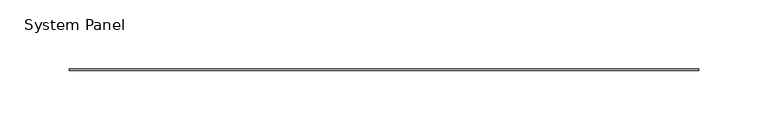
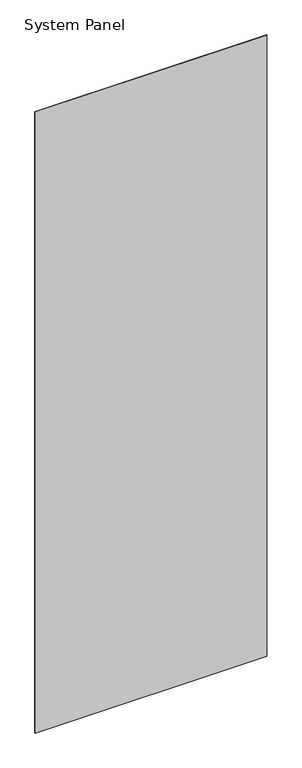
"""IFC4 building model written with IfcOpenShell, lengths in millimetres: plate geometry, System Panel."""

import ifcopenshell
import ifcopenshell.guid

model = None  # the IFC model being written
_history = None  # IfcOwnerHistory: only IFC2X3 demands one
_inside = {}  # id of a spatial element -> (the spatial element, [elements in it])
_under = {}  # id of a project, library or spatial element -> (it, [spatial elements below it])
_declared = {}  # id of a project -> (the project, [libraries it declares])
_typed = {}  # id of a type object -> (the type object, [elements of that type])
_made_of = {}  # id of a material, layer set ... -> (it, [elements and type objects made of it])


def new_model(schema):
    """Start an empty IFC model of exactly this schema.

    Asked for "IFC4X3", IfcOpenShell would pick the latest addendum, in which some entities
    have other attributes; the version numbers below select the first issue.
    IFC2X3 requires an IfcOwnerHistory on every rooted entity: one is made here for all.
    """
    global model, _history
    if schema == "IFC4X3":
        model = ifcopenshell.file(schema_version=(4, 3, 0, 0))
    else:
        model = ifcopenshell.file(schema=schema)
    _inside.clear()
    _under.clear()
    _declared.clear()
    _typed.clear()
    _made_of.clear()
    _history = None
    if model.schema == "IFC2X3":
        org = make("IfcOrganization", Name="unknown")
        user = make(
            "IfcPersonAndOrganization",
            ThePerson=make("IfcPerson", FamilyName="unknown"),
            TheOrganization=org,
        )
        app = make(
            "IfcApplication",
            ApplicationDeveloper=org,
            Version="unknown",
            ApplicationFullName="unknown",
            ApplicationIdentifier="unknown",
        )
        _history = make(
            "IfcOwnerHistory",
            OwningUser=user,
            OwningApplication=app,
            ChangeAction="ADDED",
            CreationDate=0,
        )
    return model


def make(cls, **values):
    """One entity of the class cls with the attributes given. An attribute that is None is left unset."""
    return model.create_entity(
        cls, **{name: value for name, value in values.items() if value is not None}
    )


def rooted(cls, **values):
    """An entity with a GlobalId (a new one), such as an element, a storey or a relation."""
    return make(cls, GlobalId=ifcopenshell.guid.new(), OwnerHistory=_history, **values)


def si_unit(unit_type, name, prefix=None):
    """IfcSIUnit, for example si_unit("LENGTHUNIT", "METRE", prefix="MILLI")."""
    return make("IfcSIUnit", UnitType=unit_type, Prefix=prefix, Name=name)


def assignment(units):
    """IfcUnitAssignment: the units of a project."""
    return None if units is None else make("IfcUnitAssignment", Units=units)


def point(xyz):
    """IfcCartesianPoint."""
    return None if xyz is None else make("IfcCartesianPoint", Coordinates=xyz)


def direction(xyz):
    """IfcDirection."""
    return None if xyz is None else make("IfcDirection", DirectionRatios=xyz)


def frame(location, z_axis=None, x_axis=None):
    """IfcAxis2Placement3D, a coordinate frame: its origin and axes. An axis left out is left unset."""
    return make(
        "IfcAxis2Placement3D",
        Location=point(location),
        Axis=direction(z_axis),
        RefDirection=direction(x_axis),
    )


def origin():
    """The frame at (0, 0, 0) with its axes left unset."""
    return frame((0.0, 0.0, 0.0))


def origin_with_axes():
    """The frame at (0, 0, 0) with the z axis (0, 0, 1) and the x axis (1, 0, 0) written out."""
    return frame((0.0, 0.0, 0.0), z_axis=(0.0, 0.0, 1.0), x_axis=(1.0, 0.0, 0.0))


def place(relative_to, where):
    """IfcLocalPlacement: puts the frame where relative to a parent placement (None: the world)."""
    return make(
        "IfcLocalPlacement", PlacementRelTo=relative_to, RelativePlacement=where
    )


def context(
    kind, dimensions, precision=None, world=None, true_north=None, identifier=None
):
    """IfcGeometricRepresentationContext, for example the 3D "Model" context."""
    return make(
        "IfcGeometricRepresentationContext",
        ContextIdentifier=identifier,
        ContextType=kind,
        CoordinateSpaceDimension=dimensions,
        Precision=precision,
        WorldCoordinateSystem=world,
        TrueNorth=true_north,
    )


def project(units=None, contexts=None):
    """IfcProject with its units and contexts."""
    return rooted(
        "IfcProject",
        Name="project",
        RepresentationContexts=contexts,
        UnitsInContext=assignment(units),
    )


def spatial(cls, under=None, at=None, **own):
    """A site, building, storey or space (cls), placed at a placement, below another one or the project."""
    s = rooted(cls, ObjectPlacement=at, **own)
    if under is not None:
        _under.setdefault(under.id(), (under, []))[1].append(s)
    return s


def polyline(points):
    """IfcPolyline through the points."""
    return make("IfcPolyline", Points=[point(p) for p in points])


def outline(outer, holes=None, kind="AREA"):
    """IfcArbitraryClosedProfileDef: a profile drawn as a closed curve; with holes, ...WithVoids."""
    if holes is None:
        return make("IfcArbitraryClosedProfileDef", ProfileType=kind, OuterCurve=outer)
    return make(
        "IfcArbitraryProfileDefWithVoids",
        ProfileType=kind,
        OuterCurve=outer,
        InnerCurves=holes,
    )


def extrude(swept, where, along, depth):
    """IfcExtrudedAreaSolid: the profile swept, set in the frame where, extruded along a direction by depth."""
    return make(
        "IfcExtrudedAreaSolid",
        SweptArea=swept,
        Position=where,
        ExtrudedDirection=direction(along),
        Depth=depth,
    )


def shape(context_of_items, identifier, shape_type, items):
    """IfcShapeRepresentation: the items that make up one representation, for example the "Body"."""
    return make(
        "IfcShapeRepresentation",
        ContextOfItems=context_of_items,
        RepresentationIdentifier=identifier,
        RepresentationType=shape_type,
        Items=items,
    )


def source(mapping_origin, context_of_items, identifier, shape_type, items):
    """IfcRepresentationMap: a shape defined once, which mapped items show again and again."""
    return make(
        "IfcRepresentationMap",
        MappingOrigin=mapping_origin,
        MappedRepresentation=shape(context_of_items, identifier, shape_type, items),
    )


def transform(
    local_origin,
    x_axis=None,
    y_axis=None,
    z_axis=None,
    scale=None,
    scale2=None,
    scale3=None,
    uniform=True,
):
    """IfcCartesianTransformationOperator3D, or its non-uniform kind. x_axis, y_axis, z_axis: its Axis1, 2, 3."""
    if uniform:
        return make(
            "IfcCartesianTransformationOperator3D",
            Axis1=direction(x_axis),
            Axis2=direction(y_axis),
            LocalOrigin=point(local_origin),
            Scale=scale,
            Axis3=direction(z_axis),
        )
    return make(
        "IfcCartesianTransformationOperator3DnonUniform",
        Axis1=direction(x_axis),
        Axis2=direction(y_axis),
        LocalOrigin=point(local_origin),
        Scale=scale,
        Axis3=direction(z_axis),
        Scale2=scale2,
        Scale3=scale3,
    )


def mapped(mapping_source, mapping_target):
    """IfcMappedItem: shows the shape of a source again, moved by a transform."""
    return make(
        "IfcMappedItem", MappingSource=mapping_source, MappingTarget=mapping_target
    )


def made_of(thing, what):
    """Note that an element or type object is made of a material, layer set ...; save() writes the relation."""
    if what is not None:
        _made_of.setdefault(what.id(), (what, []))[1].append(thing)
    return thing


def element(
    cls,
    number,
    at=None,
    inside=None,
    cuts=None,
    type_object=None,
    material=None,
    context=None,
    identifier="Body",
    shape_type=None,
    held_by="IfcProductDefinitionShape",
    body=None,
    shapes=None,
    **own,
):
    """One element of the class cls, such as IfcWall. Its Tag is "e" and its number.

    at: its placement. inside: the storey or other place that contains it. cuts: it is an
    opening in that element (IfcRelVoidsElement). A single representation is given by context,
    identifier, shape_type and body (its items); several are given by shapes. held_by: the class
    of the entity that holds the representations. save() writes the other relations.
    """
    e = rooted(cls, Tag="e%d" % number, ObjectPlacement=at, **own)
    if body is not None:
        shapes = [shape(context, identifier, shape_type, body)]
    if shapes is not None:
        e.Representation = make(held_by, Representations=shapes)
    if inside is not None:
        _inside.setdefault(inside.id(), (inside, []))[1].append(e)
    if cuts is not None:
        rooted(
            "IfcRelVoidsElement", RelatingBuildingElement=cuts, RelatedOpeningElement=e
        )
    if type_object is not None:
        _typed.setdefault(type_object.id(), (type_object, []))[1].append(e)
    return made_of(e, material)


def aggregate(whole, parts):
    """IfcRelAggregates: a whole, such as a stair, and the parts it consists of."""
    return rooted("IfcRelAggregates", RelatingObject=whole, RelatedObjects=parts)


def save(model, path):
    """Write the relations noted so far, then the file.

    IfcRelAggregates (storeys below a building ...), IfcRelContainedInSpatialStructure (elements
    in a storey), IfcRelDefinesByType, IfcRelAssociatesMaterial and IfcRelDeclares: one each for
    every whole, place, type object, material and project.
    """
    for whole, parts in _under.values():
        aggregate(whole, parts)
    for where, things in _inside.values():
        rooted(
            "IfcRelContainedInSpatialStructure",
            RelatedElements=things,
            RelatingStructure=where,
        )
    for kind, things in _typed.values():
        rooted("IfcRelDefinesByType", RelatedObjects=things, RelatingType=kind)
    for what, things in _made_of.values():
        rooted("IfcRelAssociatesMaterial", RelatedObjects=things, RelatingMaterial=what)
    for by, libraries in _declared.values():
        rooted("IfcRelDeclares", RelatingContext=by, RelatedDefinitions=libraries)
    model.write(path)


def system_panel_3d6b6887(model_context):
    return source(origin(), model_context, "Body", "SweptSolid", [
        extrude(outline(polyline([(226.8855, -0.4960938), (-226.8855, -0.4960938), (-226.8855, 0.4960937), (226.8855, 0.4960937), (226.8855, -0.4960938)])), origin_with_axes(), (0.0, 0.0, 1.0), 1285.875),
    ])


if __name__ == "__main__":
    model = new_model("IFC4")
    model_context = context("Model", 3, world=origin())
    ifc_project = project(units=[si_unit("LENGTHUNIT", "METRE", prefix="MILLI")], contexts=[model_context])
    site = spatial("IfcSite", under=ifc_project)
    building = spatial("IfcBuilding", under=site)
    placement = place(None, origin())
    system_panel_shape = system_panel_3d6b6887(model_context)
    element("IfcPlate", 1, ObjectType="System Panel", at=placement, inside=building, context=model_context, shape_type="MappedRepresentation", body=[
        mapped(system_panel_shape, transform((0.0, 0.0, 0.0), x_axis=(1.0, 0.0, 0.0), y_axis=(0.0, 1.0, 0.0), z_axis=(0.0, 0.0, 1.0))),
    ])
    save(model, "model.ifc")
